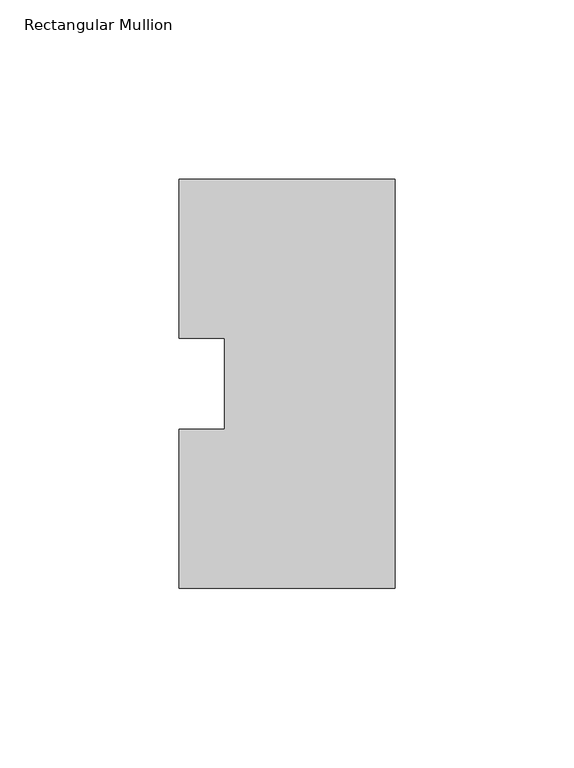
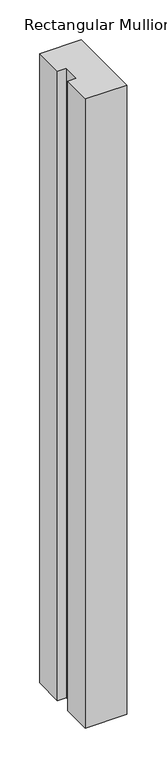
"""IFC4 building model written with IfcOpenShell, lengths in millimetres: member geometry, Rectangular Mullion."""

from ifc_helpers import new_model, si_unit, frame, origin, place, context, project, spatial, polyline, outline, extrude, source, transform, mapped, element, save


def rectangular_mullion_07624ade(model_context):
    return source(origin(), model_context, "Body", "SweptSolid", [
        extrude(outline(polyline([(-60.325, 57.15), (0.0, 57.15), (0.0, -57.15), (-60.325, -57.15), (-60.325, -12.7), (-47.6232296, -12.7), (-47.6232296, 12.7), (-60.325, 12.7), (-60.325, 57.15)])), frame((0.0, 0.0, -965.2), z_axis=(0.0, 0.0, 1.0), x_axis=(1.0, 0.0, 0.0)), (0.0, 0.0, 1.0), 965.2),
    ])


if __name__ == "__main__":
    model = new_model("IFC4")
    model_context = context("Model", 3, world=origin())
    ifc_project = project(units=[si_unit("LENGTHUNIT", "METRE", prefix="MILLI")], contexts=[model_context])
    site = spatial("IfcSite", under=ifc_project)
    building = spatial("IfcBuilding", under=site)
    placement = place(None, origin())
    rectangular_mullion_shape = rectangular_mullion_07624ade(model_context)
    element("IfcMember", 1, ObjectType="Rectangular Mullion", at=placement, inside=building, context=model_context, shape_type="MappedRepresentation", body=[
        mapped(rectangular_mullion_shape, transform((0.0, 0.0, 0.0), x_axis=(1.0, 0.0, 0.0), y_axis=(0.0, 1.0, 0.0), z_axis=(0.0, 0.0, 1.0))),
    ])
    save(model, "model.ifc")
